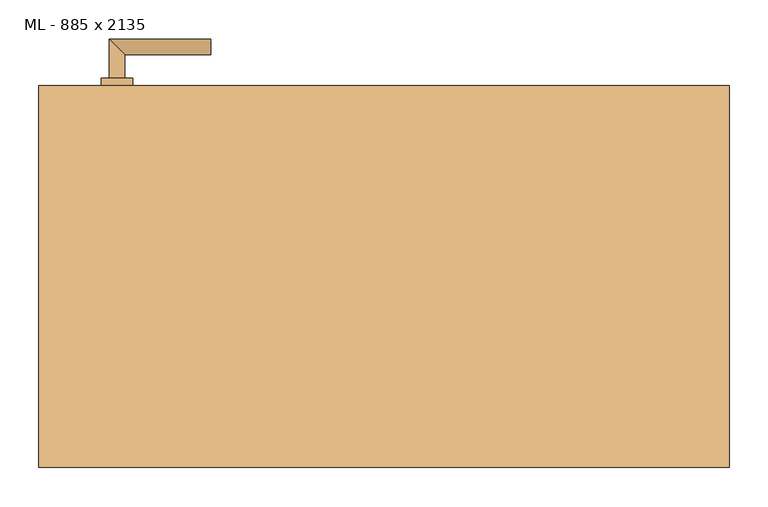
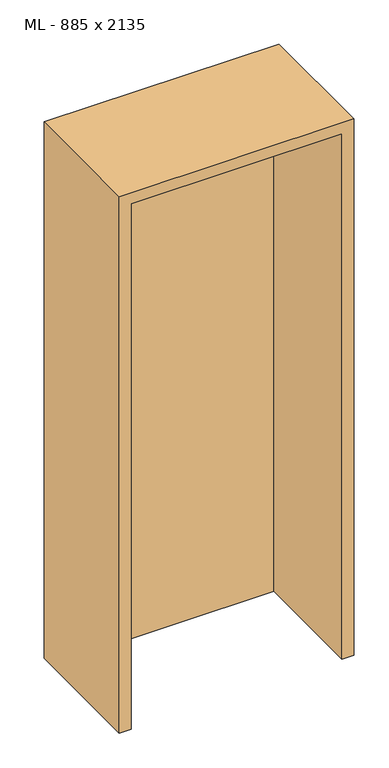
"""IFC4 building model written with IfcOpenShell, lengths in millimetres: door geometry, ML - 885 x 2135."""

from ifc_helpers import new_model, si_unit, point, frame, frame_2d, origin, origin_with_axes, place, context, project, spatial, polyline, circle_curve, ellipse_curve, trimmed, segment, composite_curve, outline, extrude, faceted_brep, source, transform, mapped, element, save
from ifc_brep_helpers import plane_surface, cylinder_surface, advanced_brep


def ml_885_x_2135_767e589e(model_context):
    return source(origin(), model_context, "Body", "SolidModel", [
        extrude(outline(polyline([(408.5, 245.0), (408.5, 200.0), (-408.5, 200.0), (-408.5, 245.0), (408.5, 245.0)])), origin_with_axes(), (0.0, 0.0, 1.0), 2101.0),
        advanced_brep(
        [(-332.5, 255.0, 1050.0), (-352.5, 255.0, 1050.0), (-332.5, 285.0, 1050.0), (-352.5, 305.0, 1050.0), (-222.5, 285.0, 1050.0), (-222.5, 305.0, 1050.0)],
        [
            (0, 1, circle_curve(frame((-342.5, 255.0, 1050.0), z_axis=(0.0, -1.0, 0.0), x_axis=(-1.0, 0.0, 0.0)), 10.0)),
            (1, 0, circle_curve(frame((-342.5, 255.0, 1050.0), z_axis=(0.0, -1.0, 0.0), x_axis=(-1.0, 0.0, 0.0)), 10.0)),
            (0, 2),
            (2, 3, ellipse_curve(frame((-342.5, 295.0, 1050.0), z_axis=(-0.7071067811865531, -0.7071067811865419, 0.0), x_axis=(0.707106781186542, -0.707106781186553, 0.0)), 14.1421356, 10.0)),
            (3, 1),
            (3, 2, ellipse_curve(frame((-342.5, 295.0, 1050.0), z_axis=(-0.7071067811865531, -0.7071067811865419, 0.0), x_axis=(0.707106781186542, -0.707106781186553, 0.0)), 14.1421356, 10.0)),
            (4, 5, circle_curve(frame((-222.5, 295.0, 1050.0), z_axis=(1.0, 0.0, 0.0), x_axis=(0.0, 1.0, 0.0)), 10.0)),
            (5, 4, circle_curve(frame((-222.5, 295.0, 1050.0), z_axis=(1.0, 0.0, 0.0), x_axis=(0.0, 1.0, 0.0)), 10.0)),
            (2, 4),
            (5, 3),
        ],
        [
            plane_surface(frame((-342.5, 255.0, 1050.0), z_axis=(0.0, -1.0, 0.0), x_axis=(0.0, 0.0, 1.0))),
            cylinder_surface(frame((-342.5, 255.0, 1050.0), z_axis=(0.0, -1.0, 0.0), x_axis=(-1.0, 0.0, 0.0)), 10.0),
            plane_surface(frame((-222.5, 295.0, 1050.0), z_axis=(1.0, 0.0, 0.0), x_axis=(0.0, 0.0, 1.0))),
            cylinder_surface(frame((-342.5, 295.0, 1050.0), z_axis=(-1.0, 0.0, 0.0), x_axis=(0.0, 1.0, 0.0)), 10.0),
        ],
        [
            (0, [[1, 2]]),
            (1, [[-1, 3, 4, 5]]),
            (1, [[-2, -5, 6, -3]]),
            (2, [[7, 8]]),
            (3, [[-4, 9, -8, 10]]),
            (3, [[-6, -10, -7, -9]]),
        ],
    ),
        extrude(outline(composite_curve([segment(trimmed(circle_curve(frame_2d((990.0, -342.5)), 20.0), [point((990.0, -362.5))], [point((990.0, -322.5))], False, "CARTESIAN"), True, "CONTINUOUS"), segment(trimmed(circle_curve(frame_2d((990.0, -342.5)), 20.0), [point((990.0, -322.5))], [point((990.0, -362.5))], False, "CARTESIAN"), True, "CONTINUOUS")], self_intersect=False), holes=[composite_curve([segment(polyline([(976.4601385, -344.897268), (988.4749012, -344.897268)]), True, "CONTINUOUS"), segment(trimmed(circle_curve(frame_2d((995.0361633, -342.5)), 6.9854888), [point((988.4749012, -344.897268))], [point((988.4749012, -340.102732))], True, "CARTESIAN"), True, "CONTINUOUS"), segment(polyline([(988.4749012, -340.102732), (976.4601385, -340.102732)]), True, "CONTINUOUS"), segment(trimmed(circle_curve(frame_2d((976.4601385, -342.5)), 2.397268), [point((976.4601385, -340.102732))], [point((976.4601385, -344.897268))], True, "CARTESIAN"), True, "CONTINUOUS")], self_intersect=False)]), frame((0.0, 245.0, 0.0), z_axis=(0.0, 1.0, 0.0), x_axis=(0.0, 0.0, 1.0)), (0.0, 0.0, 1.0), 10.0),
        advanced_brep(
        [(-332.5, 255.0, 1050.0), (-352.5, 255.0, 1050.0), (-332.5, 285.0, 1050.0), (-352.5, 305.0, 1050.0), (-222.5, 285.0, 1050.0), (-222.5, 305.0, 1050.0)],
        [
            (0, 1, circle_curve(frame((-342.5, 255.0, 1050.0), z_axis=(0.0, -1.0, 0.0), x_axis=(-1.0, 0.0, 0.0)), 10.0)),
            (1, 0, circle_curve(frame((-342.5, 255.0, 1050.0), z_axis=(0.0, -1.0, 0.0), x_axis=(-1.0, 0.0, 0.0)), 10.0)),
            (0, 2),
            (2, 3, ellipse_curve(frame((-342.5, 295.0, 1050.0), z_axis=(-0.7071067811865537, -0.7071067811865414, 0.0), x_axis=(0.7071067811865414, -0.7071067811865536, 0.0)), 14.1421356, 10.0)),
            (3, 1),
            (3, 2, ellipse_curve(frame((-342.5, 295.0, 1050.0), z_axis=(-0.7071067811865537, -0.7071067811865414, 0.0), x_axis=(0.7071067811865414, -0.7071067811865536, 0.0)), 14.1421356, 10.0)),
            (4, 5, circle_curve(frame((-222.5, 295.0, 1050.0), z_axis=(1.0, 0.0, 0.0), x_axis=(0.0, 1.0, 0.0)), 10.0)),
            (5, 4, circle_curve(frame((-222.5, 295.0, 1050.0), z_axis=(1.0, 0.0, 0.0), x_axis=(0.0, 1.0, 0.0)), 10.0)),
            (2, 4),
            (5, 3),
        ],
        [
            plane_surface(frame((-342.5, 255.0, 1050.0), z_axis=(0.0, -1.0, 0.0), x_axis=(0.0, 0.0, 1.0))),
            cylinder_surface(frame((-342.5, 255.0, 1050.0), z_axis=(0.0, -1.0, 0.0), x_axis=(-1.0, 0.0, 0.0)), 10.0),
            plane_surface(frame((-222.5, 295.0, 1050.0), z_axis=(1.0, 0.0, 0.0), x_axis=(0.0, 0.0, 1.0))),
            cylinder_surface(frame((-342.5, 295.0, 1050.0), z_axis=(-1.0, 0.0, 0.0), x_axis=(0.0, 1.0, 0.0)), 10.0),
        ],
        [
            (0, [[1, 2]]),
            (1, [[-1, 3, 4, 5]]),
            (1, [[-2, -5, 6, -3]]),
            (2, [[7, 8]]),
            (3, [[-4, 9, -8, 10]]),
            (3, [[-6, -10, -7, -9]]),
        ],
    ),
        extrude(outline(composite_curve([segment(trimmed(circle_curve(frame_2d((1050.0, -342.5)), 20.0), [point((1050.0, -362.5))], [point((1050.0, -322.5))], False, "CARTESIAN"), True, "CONTINUOUS"), segment(trimmed(circle_curve(frame_2d((1050.0, -342.5)), 20.0), [point((1050.0, -322.5))], [point((1050.0, -362.5))], False, "CARTESIAN"), True, "CONTINUOUS")], self_intersect=False)), frame((0.0, 245.0, 0.0), z_axis=(0.0, 1.0, 0.0), x_axis=(0.0, 0.0, 1.0)), (0.0, 0.0, 1.0), 10.0),
        advanced_brep(
        [(-332.5, 190.0, 1050.0), (-352.5, 190.0, 1050.0), (-352.5, 140.0, 1050.0), (-332.5, 160.0, 1050.0), (-222.5, 160.0, 1050.0), (-222.5, 140.0, 1050.0)],
        [
            (0, 1, circle_curve(frame((-342.5, 190.0, 1050.0), z_axis=(0.0, 1.0, 0.0), x_axis=(-1.0, 0.0, 0.0)), 10.0)),
            (1, 0, circle_curve(frame((-342.5, 190.0, 1050.0), z_axis=(0.0, 1.0, 0.0), x_axis=(-1.0, 0.0, 0.0)), 10.0)),
            (1, 2),
            (2, 3, ellipse_curve(frame((-342.5, 150.0, 1050.0), z_axis=(-0.7071067811865486, 0.7071067811865464, 0.0), x_axis=(0.7071067811865464, 0.7071067811865488, 0.0)), 14.1421356, 10.0)),
            (3, 0),
            (3, 2, ellipse_curve(frame((-342.5, 150.0, 1050.0), z_axis=(-0.7071067811865486, 0.7071067811865464, 0.0), x_axis=(0.7071067811865464, 0.7071067811865488, 0.0)), 14.1421356, 10.0)),
            (4, 5, circle_curve(frame((-222.5, 150.0, 1050.0), z_axis=(1.0, 0.0, 0.0), x_axis=(0.0, -1.0, 0.0)), 10.0)),
            (5, 4, circle_curve(frame((-222.5, 150.0, 1050.0), z_axis=(1.0, 0.0, 0.0), x_axis=(0.0, -1.0, 0.0)), 10.0)),
            (2, 5),
            (4, 3),
        ],
        [
            plane_surface(frame((-342.5, 190.0, 1050.0), z_axis=(0.0, 1.0, 0.0), x_axis=(0.0, 0.0, 1.0))),
            cylinder_surface(frame((-342.5, 190.0, 1050.0), z_axis=(0.0, 1.0, 0.0), x_axis=(-1.0, 0.0, 0.0)), 10.0),
            plane_surface(frame((-222.5, 150.0, 1050.0), z_axis=(1.0, 0.0, 0.0), x_axis=(0.0, 0.0, 1.0))),
            cylinder_surface(frame((-342.5, 150.0, 1050.0), z_axis=(-1.0, 0.0, 0.0), x_axis=(0.0, -1.0, 0.0)), 10.0),
        ],
        [
            (0, [[1, 2]]),
            (1, [[3, 4, 5, -2]]),
            (1, [[-5, 6, -3, -1]]),
            (2, [[7, 8]]),
            (3, [[9, -7, 10, -4]]),
            (3, [[-10, -8, -9, -6]]),
        ],
    ),
        extrude(outline(composite_curve([segment(trimmed(circle_curve(frame_2d((990.0, -342.5)), 20.0), [point((990.0, -362.5))], [point((990.0, -322.5))], False, "CARTESIAN"), True, "CONTINUOUS"), segment(trimmed(circle_curve(frame_2d((990.0, -342.5)), 20.0), [point((990.0, -322.5))], [point((990.0, -362.5))], False, "CARTESIAN"), True, "CONTINUOUS")], self_intersect=False), holes=[composite_curve([segment(polyline([(976.4601385, -344.897268), (988.4749012, -344.897268)]), True, "CONTINUOUS"), segment(trimmed(circle_curve(frame_2d((995.0361633, -342.5)), 6.9854888), [point((988.4749012, -344.897268))], [point((988.4749012, -340.102732))], True, "CARTESIAN"), True, "CONTINUOUS"), segment(polyline([(988.4749012, -340.102732), (976.4601385, -340.102732)]), True, "CONTINUOUS"), segment(trimmed(circle_curve(frame_2d((976.4601385, -342.5)), 2.397268), [point((976.4601385, -340.102732))], [point((976.4601385, -344.897268))], True, "CARTESIAN"), True, "CONTINUOUS")], self_intersect=False)]), frame((0.0, 190.0, 0.0), z_axis=(0.0, 1.0, 0.0), x_axis=(0.0, 0.0, 1.0)), (0.0, 0.0, 1.0), 10.0),
        advanced_brep(
        [(-332.5, 190.0, 1050.0), (-352.5, 190.0, 1050.0), (-352.5, 140.0, 1050.0), (-332.5, 160.0, 1050.0), (-222.5, 160.0, 1050.0), (-222.5, 140.0, 1050.0)],
        [
            (0, 1, circle_curve(frame((-342.5, 190.0, 1050.0), z_axis=(0.0, 1.0, 0.0), x_axis=(-1.0, 0.0, 0.0)), 10.0)),
            (1, 0, circle_curve(frame((-342.5, 190.0, 1050.0), z_axis=(0.0, 1.0, 0.0), x_axis=(-1.0, 0.0, 0.0)), 10.0)),
            (1, 2),
            (2, 3, ellipse_curve(frame((-342.5, 150.0, 1050.0), z_axis=(-0.7071067811865491, 0.7071067811865459, 0.0), x_axis=(0.7071067811865458, 0.7071067811865492, 0.0)), 14.1421356, 10.0)),
            (3, 0),
            (3, 2, ellipse_curve(frame((-342.5, 150.0, 1050.0), z_axis=(-0.7071067811865491, 0.7071067811865459, 0.0), x_axis=(0.7071067811865458, 0.7071067811865492, 0.0)), 14.1421356, 10.0)),
            (4, 5, circle_curve(frame((-222.5, 150.0, 1050.0), z_axis=(1.0, 0.0, 0.0), x_axis=(0.0, -1.0, 0.0)), 10.0)),
            (5, 4, circle_curve(frame((-222.5, 150.0, 1050.0), z_axis=(1.0, 0.0, 0.0), x_axis=(0.0, -1.0, 0.0)), 10.0)),
            (2, 5),
            (4, 3),
        ],
        [
            plane_surface(frame((-342.5, 190.0, 1050.0), z_axis=(0.0, 1.0, 0.0), x_axis=(0.0, 0.0, 1.0))),
            cylinder_surface(frame((-342.5, 190.0, 1050.0), z_axis=(0.0, 1.0, 0.0), x_axis=(-1.0, 0.0, 0.0)), 10.0),
            plane_surface(frame((-222.5, 150.0, 1050.0), z_axis=(1.0, 0.0, 0.0), x_axis=(0.0, 0.0, 1.0))),
            cylinder_surface(frame((-342.5, 150.0, 1050.0), z_axis=(-1.0, 0.0, 0.0), x_axis=(0.0, -1.0, 0.0)), 10.0),
        ],
        [
            (0, [[1, 2]]),
            (1, [[3, 4, 5, -2]]),
            (1, [[-5, 6, -3, -1]]),
            (2, [[7, 8]]),
            (3, [[9, -7, 10, -4]]),
            (3, [[-10, -8, -9, -6]]),
        ],
    ),
        extrude(outline(composite_curve([segment(trimmed(circle_curve(frame_2d((1050.0, -342.5)), 20.0), [point((1050.0, -362.5))], [point((1050.0, -322.5))], False, "CARTESIAN"), True, "CONTINUOUS"), segment(trimmed(circle_curve(frame_2d((1050.0, -342.5)), 20.0), [point((1050.0, -322.5))], [point((1050.0, -362.5))], False, "CARTESIAN"), True, "CONTINUOUS")], self_intersect=False)), frame((0.0, 190.0, 0.0), z_axis=(0.0, 1.0, 0.0), x_axis=(0.0, 0.0, 1.0)), (0.0, 0.0, 1.0), 10.0),
        faceted_brep([(-412.5, 245.0, 0.0), (-412.5, 200.0, 0.0), (-397.5, 200.0, 0.0), (-397.5, -245.0, 0.0), (-442.5, -245.0, 0.0), (-442.5, 245.0, 0.0), (-412.5, 245.0, 2105.0), (-412.5, 200.0, 2105.0), (412.5, 200.0, 2105.0), (412.5, 200.0, 0.0), (397.5, 200.0, 0.0), (397.5, 200.0, 2090.0), (-397.5, 200.0, 2090.0), (-397.5, -245.0, 2090.0), (397.5, -245.0, 2090.0), (397.5, -245.0, 0.0), (442.5, -245.0, 0.0), (442.5, -245.0, 2135.0), (-442.5, -245.0, 2135.0), (-442.5, 245.0, 2135.0), (442.5, 245.0, 2135.0), (442.5, 245.0, 0.0), (412.5, 245.0, 0.0), (412.5, 245.0, 2105.0)], [[[0, 1, 2, 3, 4, 5]], [[1, 0, 6, 7]], [[2, 1, 7, 8, 9, 10, 11, 12]], [[3, 2, 12, 13]], [[4, 3, 13, 14, 15, 16, 17, 18]], [[5, 4, 18, 19]], [[0, 5, 19, 20, 21, 22, 23, 6]], [[20, 17, 16, 21]], [[22, 21, 16, 15, 10, 9]], [[8, 23, 22, 9]], [[14, 11, 10, 15]], [[19, 18, 17, 20]], [[13, 12, 11, 14]], [[7, 6, 23, 8]]]),
    ])


if __name__ == "__main__":
    model = new_model("IFC4")
    model_context = context("Model", 3, world=origin())
    ifc_project = project(units=[si_unit("LENGTHUNIT", "METRE", prefix="MILLI")], contexts=[model_context])
    site = spatial("IfcSite", under=ifc_project)
    building = spatial("IfcBuilding", under=site)
    placement = place(None, origin())
    ml_885_x_2135_shape = ml_885_x_2135_767e589e(model_context)
    element("IfcDoor", 1, ObjectType="ML - 885 x 2135", at=placement, inside=building, context=model_context, shape_type="MappedRepresentation", body=[
        mapped(ml_885_x_2135_shape, transform((0.0, 0.0, 0.0), x_axis=(1.0, 0.0, 0.0), y_axis=(0.0, 1.0, 0.0), z_axis=(0.0, 0.0, 1.0))),
    ])
    save(model, "model.ifc")
